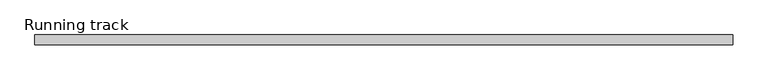
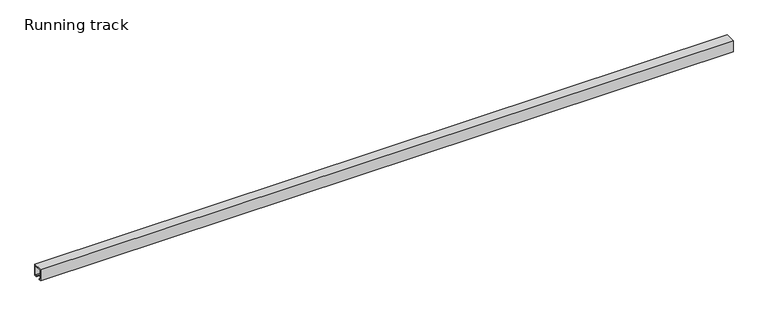
"""IFC4 building model written with IfcOpenShell, lengths in millimetres: proxy geometry, Running track."""

from ifc_helpers import new_model, si_unit, frame, origin, place, context, project, spatial, polyline, outline, extrude, source, transform, mapped, element, save


def running_track_697dfd11(model_context):
    return source(origin(), model_context, "Body", "SweptSolid", [
        extrude(outline(polyline([(17.0, 40.0), (17.0, 0.0), (9.0, 0.0), (9.0, 3.0), (14.0, 3.0), (14.0, 37.0), (-14.0, 37.0), (-14.0, 3.0), (-9.0, 3.0), (-9.0, 0.0), (-17.0, 0.0), (-17.0, 40.0), (17.0, 40.0)])), frame((0.0, 0.0, 0.0), z_axis=(1.0, 0.0, 0.0), x_axis=(0.0, 1.0, 0.0)), (0.0, 0.0, 1.0), 2365.0),
    ])


if __name__ == "__main__":
    model = new_model("IFC4")
    model_context = context("Model", 3, world=origin())
    ifc_project = project(units=[si_unit("LENGTHUNIT", "METRE", prefix="MILLI")], contexts=[model_context])
    site = spatial("IfcSite", under=ifc_project)
    building = spatial("IfcBuilding", under=site)
    placement = place(None, origin())
    running_track_shape = running_track_697dfd11(model_context)
    element("IfcBuildingElementProxy", 1, Name="Running track", ObjectType="Running track", at=placement, inside=building, context=model_context, shape_type="MappedRepresentation", body=[
        mapped(running_track_shape, transform((0.0, 0.0, 0.0), x_axis=(1.0, 0.0, 0.0), y_axis=(0.0, 1.0, 0.0), z_axis=(0.0, 0.0, 1.0))),
    ])
    save(model, "model.ifc")
